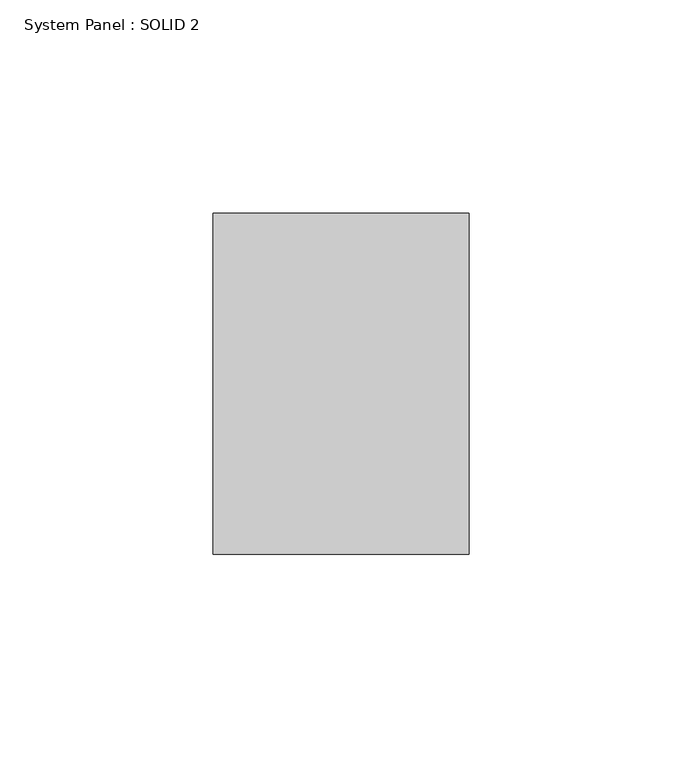
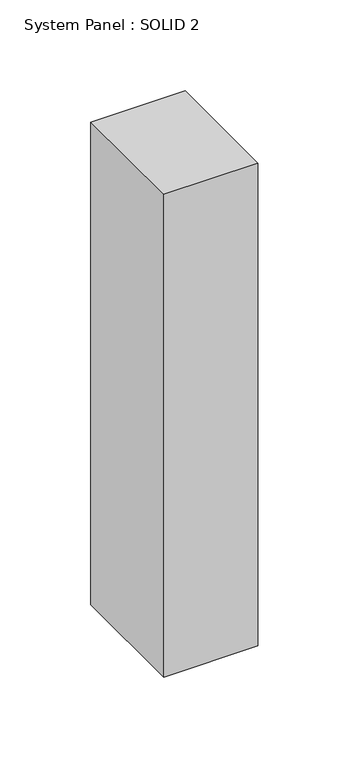
"""IFC4 building model written with IfcOpenShell, lengths in millimetres: plate geometry, System Panel : SOLID 2."""

from ifc_helpers import new_model, si_unit, origin, origin_with_axes, place, context, project, spatial, polyline, outline, extrude, source, transform, mapped, element, save


def system_panel_solid_2_80a560ef(model_context):
    return source(origin(), model_context, "Body", "SweptSolid", [
        extrude(outline(polyline([(30.0, 80.0), (-30.0, 80.0), (-30.0, 160.0), (30.0, 160.0), (30.0, 80.0)])), origin_with_axes(), (0.0, 0.0, 1.0), 324.3333333),
    ])


if __name__ == "__main__":
    model = new_model("IFC4")
    model_context = context("Model", 3, world=origin())
    ifc_project = project(units=[si_unit("LENGTHUNIT", "METRE", prefix="MILLI")], contexts=[model_context])
    site = spatial("IfcSite", under=ifc_project)
    building = spatial("IfcBuilding", under=site)
    placement = place(None, origin())
    system_panel_solid_2_shape = system_panel_solid_2_80a560ef(model_context)
    element("IfcPlate", 1, ObjectType="System Panel : SOLID 2", at=placement, inside=building, context=model_context, shape_type="MappedRepresentation", body=[
        mapped(system_panel_solid_2_shape, transform((0.0, 0.0, 0.0), x_axis=(1.0, 0.0, 0.0), y_axis=(0.0, 1.0, 0.0), z_axis=(0.0, 0.0, 1.0))),
    ])
    save(model, "model.ifc")
